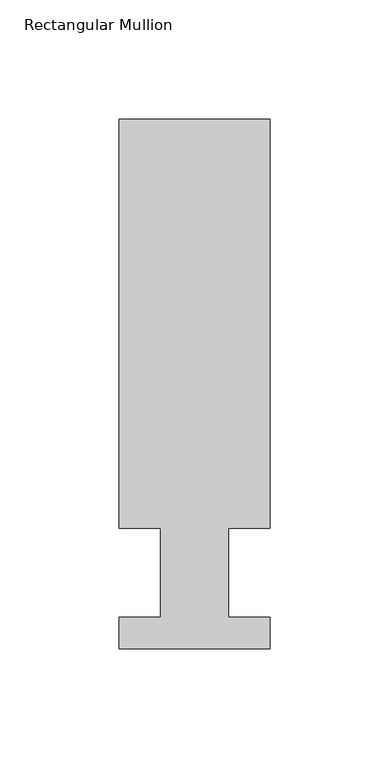
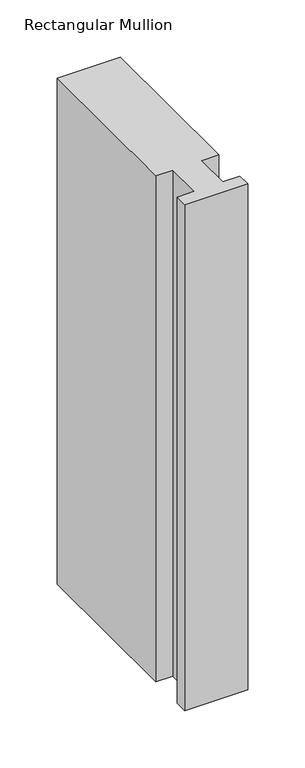
"""IFC4 building model written with IfcOpenShell, lengths in millimetres: member geometry, Rectangular Mullion."""

from ifc_helpers import new_model, si_unit, frame, origin, place, context, project, spatial, polyline, outline, extrude, source, transform, mapped, element, save


def rectangular_mullion_cb36aa72(model_context):
    return source(origin(), model_context, "Body", "SweptSolid", [
        extrude(outline(polyline([(-63.5, 222.5381313), (-5e-07, 222.5381313), (-5e-07, 50.8091913), (-17.4625004, 50.8091913), (-17.4625004, 13.3834445), (0.0, 13.3834445), (0.0, 0.2008445), (-63.5, 0.2008445), (-63.5, 13.3834445), (-46.0248001, 13.3834445), (-46.0248001, 50.8091913), (-63.5, 50.8091913), (-63.5, 222.5381313)])), frame((0.0, 0.0, -539.5856701), z_axis=(0.0, 0.0, 1.0), x_axis=(1.0, 0.0, 0.0)), (0.0, 0.0, 1.0), 539.5856701),
    ])


if __name__ == "__main__":
    model = new_model("IFC4")
    model_context = context("Model", 3, world=origin())
    ifc_project = project(units=[si_unit("LENGTHUNIT", "METRE", prefix="MILLI")], contexts=[model_context])
    site = spatial("IfcSite", under=ifc_project)
    building = spatial("IfcBuilding", under=site)
    placement = place(None, origin())
    rectangular_mullion_shape = rectangular_mullion_cb36aa72(model_context)
    element("IfcMember", 1, ObjectType="Rectangular Mullion", at=placement, inside=building, context=model_context, shape_type="MappedRepresentation", body=[
        mapped(rectangular_mullion_shape, transform((0.0, 0.0, 0.0), x_axis=(1.0, 0.0, 0.0), y_axis=(0.0, 1.0, 0.0), z_axis=(0.0, 0.0, 1.0))),
    ])
    save(model, "model.ifc")
